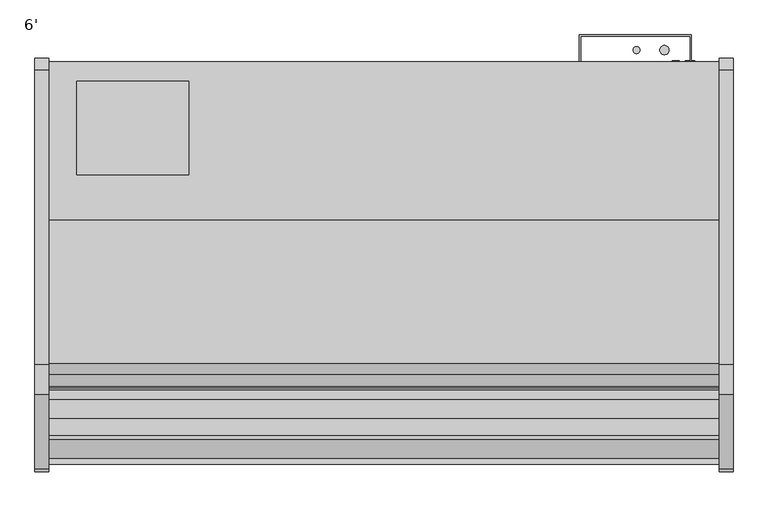
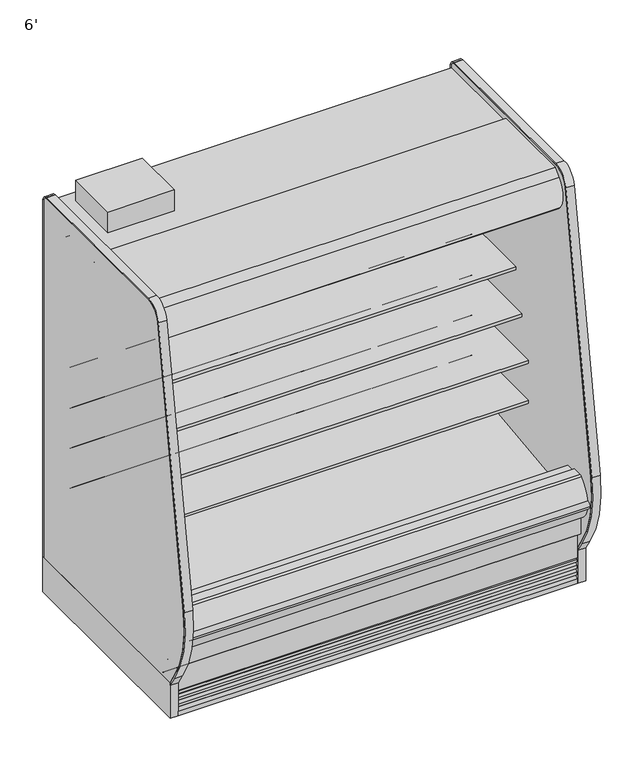
"""IFC4 building model written with IfcOpenShell, lengths in millimetres: proxy geometry, 6'."""

from ifc_helpers import new_model, si_unit, point, frame, frame_2d, origin, origin_with_axes, place, context, project, spatial, polyline, circle_curve, trimmed, segment, composite_curve, outline, extrude, faceted_brep, source, transform, mapped, element, save
from ifc_brep_helpers import plane_surface, cylinder_surface, revolved_surface, advanced_brep


def proxy_6_d9b58994(model_context):
    return source(origin(), model_context, "Body", "SolidModel", [
        extrude(outline(polyline([(381.0, -452.3089273), (381.0, -706.3089273), (76.2, -706.3089273), (76.2, -452.3089273), (381.0, -452.3089273)])), frame((0.0, 0.0, 1890.890681), z_axis=(0.0, 0.0, 1.0), x_axis=(1.0, 0.0, 0.0)), (0.0, 0.0, 1.0), 101.6),
        extrude(outline(composite_curve([segment(polyline([(-501.7581995, 650.7627781), (-501.7581995, 575.6617518), (-525.138746, 575.6617518)]), True, "CONTINUOUS"), segment(trimmed(circle_curve(frame_2d((-525.5705821, 601.0580806)), 25.4), [point((-525.138746, 575.6617518))], [point((-541.5479383, 581.3125979))], False, "CARTESIAN"), True, "CONTINUOUS"), segment(polyline([(-541.5479383, 581.3125979), (-559.3999995, 595.7578634)]), True, "CONTINUOUS"), segment(trimmed(circle_curve(frame_2d((-599.3433901, 546.3941567)), 63.5), [point((-559.3999995, 595.7578634))], [point((-591.4455089, 609.4010886))], True, "CARTESIAN"), True, "CONTINUOUS"), segment(polyline([(-591.4455089, 609.4010886), (-866.0092482, 633.098226), (-867.4980247, 636.5387781), (-1009.7581995, 636.5387781), (-1009.7581995, 650.7627781), (-501.7581995, 650.7627781)]), True, "CONTINUOUS")], self_intersect=False)), frame((0.0, 0.0, 0.0), z_axis=(1.0, 0.0, 0.0), x_axis=(0.0, 1.0, 0.0)), (0.0, 0.0, 1.0), 1828.8),
        extrude(outline(composite_curve([segment(polyline([(-501.7581995, 844.576863), (-501.7581995, 769.4758366), (-525.138746, 769.4758366)]), True, "CONTINUOUS"), segment(trimmed(circle_curve(frame_2d((-525.5705821, 794.8721655)), 25.4), [point((-525.138746, 769.4758366))], [point((-541.5479383, 775.1266828))], False, "CARTESIAN"), True, "CONTINUOUS"), segment(polyline([(-541.5479383, 775.1266828), (-559.3999995, 789.5719483)]), True, "CONTINUOUS"), segment(trimmed(circle_curve(frame_2d((-599.3433901, 740.2082415)), 63.5), [point((-559.3999995, 789.5719483))], [point((-591.4455089, 803.2151735))], True, "CARTESIAN"), True, "CONTINUOUS"), segment(polyline([(-591.4455089, 803.2151735), (-866.0092482, 826.9123109), (-867.4980247, 830.352863), (-1009.7581995, 830.352863), (-1009.7581995, 844.576863), (-501.7581995, 844.576863)]), True, "CONTINUOUS")], self_intersect=False)), frame((0.0, 0.0, 0.0), z_axis=(1.0, 0.0, 0.0), x_axis=(0.0, 1.0, 0.0)), (0.0, 0.0, 1.0), 1828.8),
        extrude(outline(composite_curve([segment(polyline([(-501.7581995, 1038.3909479), (-501.7581995, 963.2899215), (-525.138746, 963.2899215)]), True, "CONTINUOUS"), segment(trimmed(circle_curve(frame_2d((-525.5705821, 988.6862503)), 25.4), [point((-525.138746, 963.2899215))], [point((-541.5479383, 968.9407676))], False, "CARTESIAN"), True, "CONTINUOUS"), segment(polyline([(-541.5479383, 968.9407676), (-559.3999995, 983.3860332)]), True, "CONTINUOUS"), segment(trimmed(circle_curve(frame_2d((-599.3433901, 934.0223264)), 63.5), [point((-559.3999995, 983.3860332))], [point((-591.4455089, 997.0292583))], True, "CARTESIAN"), True, "CONTINUOUS"), segment(polyline([(-591.4455089, 997.0292583), (-866.0092482, 1020.7263958), (-867.4980247, 1024.1669479), (-958.9581995, 1024.1669479), (-958.9581995, 1038.3909479), (-501.7581995, 1038.3909479)]), True, "CONTINUOUS")], self_intersect=False)), frame((0.0, 0.0, 0.0), z_axis=(1.0, 0.0, 0.0), x_axis=(0.0, 1.0, 0.0)), (0.0, 0.0, 1.0), 1828.8),
        extrude(outline(composite_curve([segment(trimmed(circle_curve(frame_2d((1603.375, -366.5839273)), 9.525), [point((1593.85, -366.5839273))], [point((1612.9, -366.5839273))], False, "CARTESIAN"), True, "CONTINUOUS"), segment(trimmed(circle_curve(frame_2d((1603.375, -366.5839273)), 9.525), [point((1612.9, -366.5839273))], [point((1593.85, -366.5839273))], False, "CARTESIAN"), True, "CONTINUOUS")], self_intersect=False)), frame((0.0, 0.0, 1384.8875996), z_axis=(0.0, 0.0, 1.0), x_axis=(1.0, 0.0, 0.0)), (0.0, 0.0, 1.0), 465.5662814),
        extrude(outline(composite_curve([segment(trimmed(circle_curve(frame_2d((1679.575, -366.5839273)), 12.7), [point((1666.875, -366.5839273))], [point((1692.275, -366.5839273))], False, "CARTESIAN"), True, "CONTINUOUS"), segment(trimmed(circle_curve(frame_2d((1679.575, -366.5839273)), 12.7), [point((1692.275, -366.5839273))], [point((1666.875, -366.5839273))], False, "CARTESIAN"), True, "CONTINUOUS")], self_intersect=False)), frame((0.0, 0.0, 1384.8875996), z_axis=(0.0, 0.0, 1.0), x_axis=(1.0, 0.0, 0.0)), (0.0, 0.0, 1.0), 465.5662814),
        extrude(outline(polyline([(1749.425, -401.5089273), (1749.425, -328.4839273), (1451.0752368, -328.4839273), (1451.0752368, -401.5089273), (1447.8, -401.5089273), (1447.8, -325.3089273), (1752.6, -325.3089273), (1752.6, -401.5089273), (1749.425, -401.5089273)])), frame((0.0, 0.0, 636.9744553), z_axis=(0.0, 0.0, 1.0), x_axis=(1.0, 0.0, 0.0)), (0.0, 0.0, 1.0), 1177.4114257),
        extrude(outline(composite_curve([segment(trimmed(circle_curve(frame_2d((1631.95, -1128.5839273)), 12.7), [point((1619.25, -1128.5839273))], [point((1644.65, -1128.5839273))], False, "CARTESIAN"), True, "CONTINUOUS"), segment(trimmed(circle_curve(frame_2d((1631.95, -1128.5839273)), 12.7), [point((1644.65, -1128.5839273))], [point((1619.25, -1128.5839273))], False, "CARTESIAN"), True, "CONTINUOUS")], self_intersect=False)), frame((0.0, 0.0, 66.7090149), z_axis=(0.0, 0.0, 1.0), x_axis=(1.0, 0.0, 0.0)), (0.0, 0.0, 1.0), 57.1159851),
        extrude(outline(composite_curve([segment(trimmed(circle_curve(frame_2d((1593.85, -1128.5839273)), 9.525), [point((1584.325, -1128.5839273))], [point((1603.375, -1128.5839273))], False, "CARTESIAN"), True, "CONTINUOUS"), segment(trimmed(circle_curve(frame_2d((1593.85, -1128.5839273)), 9.525), [point((1603.375, -1128.5839273))], [point((1584.325, -1128.5839273))], False, "CARTESIAN"), True, "CONTINUOUS")], self_intersect=False)), frame((0.0, 0.0, 66.7090149), z_axis=(0.0, 0.0, 1.0), x_axis=(1.0, 0.0, 0.0)), (0.0, 0.0, 1.0), 57.1159851),
        extrude(outline(composite_curve([segment(trimmed(circle_curve(frame_2d((-772.0018909, 1757.6527872)), 14.2875), [point((-786.2893909, 1757.6527872))], [point((-757.7143909, 1757.6527872))], False, "CARTESIAN"), True, "CONTINUOUS"), segment(trimmed(circle_curve(frame_2d((-772.0018909, 1757.6527872)), 14.2875), [point((-757.7143909, 1757.6527872))], [point((-786.2893909, 1757.6527872))], False, "CARTESIAN"), True, "CONTINUOUS")], self_intersect=False)), frame((0.0, 0.0, 0.0), z_axis=(1.0, 0.0, 0.0), x_axis=(0.0, 1.0, 0.0)), (0.0, 0.0, 1.0), 1828.8),
        extrude(outline(polyline([(744.7751963, -1346.7911816), (435.3523963, -1346.7911816), (435.3523963, -1246.4115659), (744.7751963, -1246.4115659), (744.7751963, -1346.7911816)])), frame((0.0, 0.0, 53.2186364), z_axis=(0.0, 0.0, 1.0), x_axis=(1.0, 0.0, 0.0)), (0.0, 0.0, 1.0), 9.8914),
        faceted_brep([(1828.8, -1207.9589273, 133.35), (1828.8, -1271.9080824, 133.35), (1828.8, -1376.2733538, 217.6113531), (1828.8, -1376.2733538, 10.9768116), (1828.8, -1207.9589273, 10.9768116), (0.0, -1207.9589273, 133.35), (0.0, -1207.9589273, 10.9768116), (0.0, -1376.2733538, 10.9768116), (0.0, -1376.2733538, 217.6113531), (0.0, -1271.9080824, 133.35), (744.7751963, -1346.7911816, 10.9768116), (744.7751963, -1246.4115659, 10.9768116), (435.3523963, -1246.4115659, 10.9768116), (435.3523963, -1346.7911816, 10.9768116), (744.7751963, -1346.7911816, 63.1100364), (435.3523963, -1346.7911816, 63.1100364), (435.3523963, -1246.4115659, 63.1100364), (744.7751963, -1246.4115659, 63.1100364)], [[[0, 1, 2, 3, 4]], [[5, 6, 7, 8, 9]], [[1, 0, 5, 9]], [[2, 1, 9, 8]], [[3, 2, 8, 7]], [[4, 3, 7, 6], [10, 11, 12, 13]], [[0, 4, 6, 5]], [[14, 15, 16, 17]], [[14, 17, 11, 10]], [[17, 16, 12, 11]], [[16, 15, 13, 12]], [[15, 14, 10, 13]]]),
        extrude(outline(composite_curve([segment(trimmed(circle_curve(frame_2d((497.8112651, 1749.2090336)), 12.7), [point((497.8112651, 1761.9090336))], [point((497.8112651, 1736.5090336))], False, "CARTESIAN"), True, "CONTINUOUS"), segment(trimmed(circle_curve(frame_2d((497.8112651, 1749.2090336)), 12.7), [point((497.8112651, 1736.5090336))], [point((497.8112651, 1761.9090336))], False, "CARTESIAN"), True, "CONTINUOUS")], self_intersect=False)), frame((0.0, -447.5561252, 0.0), z_axis=(0.0, 1.0, 0.0), x_axis=(0.0, 0.0, 1.0)), (0.0, 0.0, 1.0), 52.3971979),
        extrude(outline(composite_curve([segment(trimmed(circle_curve(frame_2d((497.8112651, 1710.7972115)), 9.525), [point((497.8112651, 1720.3222115))], [point((497.8112651, 1701.2722115))], False, "CARTESIAN"), True, "CONTINUOUS"), segment(trimmed(circle_curve(frame_2d((497.8112651, 1710.7972115)), 9.525), [point((497.8112651, 1701.2722115))], [point((497.8112651, 1720.3222115))], False, "CARTESIAN"), True, "CONTINUOUS")], self_intersect=False)), frame((0.0, -447.5561252, 0.0), z_axis=(0.0, 1.0, 0.0), x_axis=(0.0, 0.0, 1.0)), (0.0, 0.0, 1.0), 52.3971979),
        extrude(outline(composite_curve([segment(polyline([(-448.6101762, 1839.296931), (-448.6101762, 407.920884), (-501.7581995, 407.920884), (-501.7581995, 1761.0279745)]), True, "CONTINUOUS"), segment(trimmed(circle_curve(frame_2d((-527.1581995, 1761.0279745)), 25.4), [point((-501.7581995, 1761.0279745))], [point((-527.1581995, 1786.4279745))], True, "CARTESIAN"), True, "CONTINUOUS"), segment(polyline([(-527.1581995, 1786.4279745), (-992.6733136, 1786.4279745), (-992.6733136, 1753.1446108), (-1003.5184137, 1753.1446108)]), True, "CONTINUOUS"), segment(trimmed(circle_curve(frame_2d((-1003.5184137, 1753.4621108)), 0.3175), [point((-1003.5184137, 1753.1446108))], [point((-1003.5184137, 1753.7796108))], False, "CARTESIAN"), True, "CONTINUOUS"), segment(polyline([(-1003.5184137, 1753.7796108), (-993.3389611, 1753.7796108), (-993.3389611, 1779.1796104), (-1094.9389599, 1779.1796104), (-1094.9389599, 1753.7796108), (-1084.7595073, 1753.7796108)]), True, "CONTINUOUS"), segment(trimmed(circle_curve(frame_2d((-1084.7595073, 1753.4621108)), 0.3175), [point((-1084.7595073, 1753.7796108))], [point((-1084.7595073, 1753.1446108))], False, "CARTESIAN"), True, "CONTINUOUS"), segment(polyline([(-1084.7595073, 1753.1446108), (-1095.6048165, 1753.1446108), (-1095.5967104, 1839.296931), (-448.6101762, 1839.296931)]), True, "CONTINUOUS")], self_intersect=False)), frame((0.0, 0.0, 0.0), z_axis=(1.0, 0.0, 0.0), x_axis=(0.0, 1.0, 0.0)), (0.0, 0.0, 1.0), 1828.8),
        advanced_brep(
        [(1828.8, -1425.6139874, 394.41755), (1828.8, -1425.6139874, 257.4474833), (1828.8, -1271.9080824, 133.35), (1828.8, -398.3339273, 133.35), (1828.8, -398.3339273, 1890.890681), (1828.8, -1136.0666873, 1890.890681), (1828.8, -1136.0666873, 1839.296931), (1828.8, -448.6101762, 1839.296931), (1828.8, -448.6101762, 367.1445251), (1828.8, -596.3264929, 214.837363), (1828.8, -1040.4181205, 198.8529213), (1828.8, -1093.5300237, 160.270884), (1828.8, -1160.3460307, 160.270884), (1828.8, -1218.3906168, 192.4470563), (1828.8, -1376.1093872, 344.7542153), (1828.8, -1376.1093872, 394.41755), (0.0, -1425.6139874, 394.41755), (0.0, -1376.1093872, 394.41755), (0.0, -1376.1093872, 344.7542153), (0.0, -1218.3906168, 192.4470563), (0.0, -1160.3460307, 160.270884), (0.0, -1093.5300237, 160.270884), (0.0, -1040.4181205, 198.8529213), (0.0, -596.3264929, 214.837363), (0.0, -448.6101762, 367.1445251), (0.0, -448.6101762, 1839.296931), (0.0, -1136.0666873, 1839.296931), (0.0, -1136.0666873, 1890.890681), (0.0, -398.3339273, 1890.890681), (0.0, -398.3339273, 133.35), (0.0, -1271.9080824, 133.35), (0.0, -1425.6139874, 257.4474833), (1727.2, -398.3339273, 362.4825072), (1727.2, -398.3339273, 464.0825072), (1727.2, -444.3811252, 362.4825072), (1727.2, -444.3811252, 464.0825072)],
        [
            (0, 1),
            (1, 2),
            (2, 3),
            (3, 4),
            (4, 5),
            (5, 6),
            (6, 7),
            (7, 8),
            (8, 9, circle_curve(frame((1828.8, -601.8382276, 367.9684683), z_axis=(-1.0, 0.0, 0.0), x_axis=(0.0, 1.0, 0.0)), 153.2302667)),
            (9, 10),
            (10, 11),
            (11, 12),
            (12, 13),
            (13, 14, circle_curve(frame((1828.8, -1223.7093872, 344.7542153), z_axis=(-1.0, 0.0, 0.0), x_axis=(0.0, 1.0, 0.0)), 152.4)),
            (14, 15),
            (15, 0),
            (16, 17),
            (17, 18),
            (18, 19, circle_curve(frame((0.0, -1223.7093872, 344.7542153), z_axis=(1.0, 0.0, 0.0), x_axis=(0.0, 1.0, 0.0)), 152.4)),
            (19, 20),
            (20, 21),
            (21, 22),
            (22, 23),
            (23, 24, circle_curve(frame((0.0, -601.8382276, 367.9684683), z_axis=(1.0, 0.0, 0.0), x_axis=(0.0, 1.0, 0.0)), 153.2302667)),
            (24, 25),
            (25, 26),
            (26, 27),
            (27, 28),
            (28, 29),
            (29, 30),
            (30, 31),
            (31, 16),
            (0, 16),
            (31, 1),
            (30, 2),
            (29, 3),
            (28, 4),
            (32, 33, circle_curve(frame((1727.2, -398.3339273, 413.2825072), z_axis=(0.0, -1.0, 0.0), x_axis=(0.0, 0.0, 1.0)), 50.8)),
            (33, 32, circle_curve(frame((1727.2, -398.3339273, 413.2825072), z_axis=(0.0, -1.0, 0.0), x_axis=(0.0, 0.0, 1.0)), 50.8)),
            (27, 5),
            (26, 6),
            (25, 7),
            (24, 8),
            (23, 9),
            (22, 10),
            (21, 11),
            (20, 12),
            (19, 13),
            (18, 14),
            (17, 15),
            (34, 35, circle_curve(frame((1727.2, -444.3811252, 413.2825072), z_axis=(0.0, 1.0, 0.0), x_axis=(0.0, 0.0, 1.0)), 50.8)),
            (35, 34, circle_curve(frame((1727.2, -444.3811252, 413.2825072), z_axis=(0.0, 1.0, 0.0), x_axis=(0.0, 0.0, 1.0)), 50.8)),
            (35, 33),
            (32, 34),
        ],
        [
            plane_surface(frame((1828.8, -1425.6139874, 257.4474833), z_axis=(1.0, 0.0, 0.0), x_axis=(0.0, 0.0, -1.0))),
            plane_surface(frame((0.0, -1425.6139874, 257.4474833), z_axis=(-1.0, 0.0, 0.0), x_axis=(0.0, 0.0, 1.0))),
            plane_surface(frame((1828.8, -1425.6139874, 394.41755), z_axis=(0.0, -1.0, 0.0), x_axis=(-1.0, 0.0, 0.0))),
            plane_surface(frame((1828.8, -1425.6139874, 257.4474833), z_axis=(0.0, -0.6281851642637385, -0.7780638787393617), x_axis=(-1.0, 0.0, 0.0))),
            plane_surface(frame((1828.8, -1271.9080824, 133.35), z_axis=(0.0, 0.0, -1.0), x_axis=(-1.0, 0.0, 0.0))),
            plane_surface(frame((1828.8, -398.3339273, 133.35), z_axis=(0.0, 1.0, 0.0), x_axis=(-1.0, 0.0, 0.0))),
            plane_surface(frame((1828.8, -398.3339273, 1890.890681), z_axis=(0.0, 0.0, 1.0), x_axis=(-1.0, 0.0, 0.0))),
            plane_surface(frame((1828.8, -1136.0666873, 1890.890681), z_axis=(0.0, -1.0, 0.0), x_axis=(-1.0, 0.0, 0.0))),
            plane_surface(frame((1828.8, -1136.0666873, 1839.296931), z_axis=(0.0, 0.0, -1.0), x_axis=(-1.0, 0.0, 0.0))),
            plane_surface(frame((1828.8, -448.6101762, 1839.296931), z_axis=(0.0, -1.0, 0.0), x_axis=(-1.0, 0.0, 0.0))),
            revolved_surface(polyline([(0.0, -448.60796089999997, 367.9684683), (1828.8, -448.60796089999997, 367.9684683)]), (0.0, -601.8382276, 367.9684683), (-1.0, 0.0, 0.0)),
            plane_surface(frame((1828.8, -596.3264929, 214.837363), z_axis=(0.0, -0.035970274152171335, 0.9993528602938092), x_axis=(-1.0, 0.0, 0.0))),
            plane_surface(frame((1828.8, -1040.4181205, 198.8529213), z_axis=(0.0, -0.5877252382160976, 0.8090605937529224), x_axis=(-1.0, 0.0, 0.0))),
            plane_surface(frame((1828.8, -1093.5300237, 160.270884), z_axis=(0.0, 0.0, 1.0), x_axis=(-1.0, 0.0, 0.0))),
            plane_surface(frame((1828.8, -1160.3460307, 160.270884), z_axis=(0.0, 0.4848272875913194, 0.8746099137368866), x_axis=(-1.0, 0.0, 0.0))),
            revolved_surface(polyline([(0.0, -1071.3093872, 344.7542153), (1828.8, -1071.3093872, 344.7542153)]), (0.0, -1223.7093872, 344.7542153), (-1.0, 0.0, 0.0)),
            plane_surface(frame((1828.8, -1376.1093872, 344.7542153), z_axis=(0.0, 1.0, 0.0), x_axis=(-1.0, 0.0, 0.0))),
            plane_surface(frame((1828.8, -1376.1093872, 394.41755), z_axis=(0.0, 0.0, 1.0), x_axis=(-1.0, 0.0, 0.0))),
            plane_surface(frame((1727.2, -444.3811252, 464.0825072), z_axis=(0.0, 1.0, 0.0), x_axis=(-1.0, 0.0, 0.0))),
            revolved_surface(polyline([(1727.2, -444.3811252, 464.0825072), (1727.2, -398.3339273, 464.0825072)]), (1727.2, -398.3339273, 413.2825072), (0.0, -1.0, 0.0)),
        ],
        [
            (0, [[1, 2, 3, 4, 5, 6, 7, 8, 9, 10, 11, 12, 13, 14, 15, 16]]),
            (1, [[17, 18, 19, 20, 21, 22, 23, 24, 25, 26, 27, 28, 29, 30, 31, 32]]),
            (2, [[-1, 33, -32, 34]]),
            (3, [[-2, -34, -31, 35]]),
            (4, [[-3, -35, -30, 36]]),
            (5, [[-4, -36, -29, 37], [38, 39]]),
            (6, [[-5, -37, -28, 40]]),
            (7, [[-6, -40, -27, 41]]),
            (8, [[-7, -41, -26, 42]]),
            (9, [[-8, -42, -25, 43]]),
            (10, [[-9, -43, -24, 44]]),
            (11, [[-10, -44, -23, 45]]),
            (12, [[-11, -45, -22, 46]]),
            (13, [[-12, -46, -21, 47]]),
            (14, [[-13, -47, -20, 48]]),
            (15, [[-14, -48, -19, 49]]),
            (16, [[-15, -49, -18, 50]]),
            (17, [[-16, -50, -17, -33]]),
            (18, [[51, 52]]),
            (19, [[-52, 53, -38, 54]]),
            (19, [[-51, -54, -39, -53]]),
        ],
    ),
        advanced_brep(
        [(1828.8, -1321.1559113, 376.2501999), (1828.8, -1321.1559113, 524.3829999), (1828.8, -1376.1093872, 524.3829999), (1828.8, -1376.1093872, 344.7542153), (1828.8, -1218.3906168, 192.4470563), (1828.8, -1160.3460307, 160.270884), (1828.8, -1093.5300237, 160.270884), (1828.8, -1040.4181205, 198.8529213), (1828.8, -596.3264929, 214.837363), (1828.8, -448.6101762, 367.1445251), (1828.8, -448.6101762, 407.920884), (1828.8, -501.7581995, 407.920884), (1828.8, -501.7581995, 472.5646663), (1828.8, -513.5722923, 459.8956028), (1828.8, -607.0176758, 453.3612651), (1828.8, -607.4656734, 459.7679299), (1828.8, -1288.3966401, 378.1918392), (1828.8, -1293.8382113, 376.2501999), (0.0, -1321.1559113, 376.2501999), (0.0, -1293.8382113, 376.2501999), (0.0, -1288.3966401, 378.1918392), (0.0, -607.4656734, 459.7679299), (0.0, -607.0176758, 453.3612651), (0.0, -513.5722923, 459.8956028), (0.0, -501.7581995, 472.5646663), (0.0, -501.7581995, 407.920884), (0.0, -448.6101762, 407.920884), (0.0, -448.6101762, 367.1445251), (0.0, -596.3264929, 214.837363), (0.0, -1040.4181205, 198.8529213), (0.0, -1093.5300237, 160.270884), (0.0, -1160.3460307, 160.270884), (0.0, -1218.3906168, 192.4470563), (0.0, -1376.1093872, 344.7542153), (0.0, -1376.1093872, 524.3829999), (0.0, -1321.1559113, 524.3829999)],
        [
            (0, 1),
            (1, 2),
            (2, 3),
            (3, 4, circle_curve(frame((1828.8, -1223.7093872, 344.7542153), z_axis=(1.0, 0.0, 0.0), x_axis=(0.0, 1.0, 0.0)), 152.4)),
            (4, 5),
            (5, 6),
            (6, 7),
            (7, 8),
            (8, 9, circle_curve(frame((1828.8, -601.8382276, 367.9684683), z_axis=(1.0, 0.0, 0.0), x_axis=(0.0, 1.0, 0.0)), 153.2302667)),
            (9, 10),
            (10, 11),
            (11, 12),
            (12, 13, circle_curve(frame((1828.8, -514.4581995, 472.5646663), z_axis=(-1.0, 0.0, 0.0), x_axis=(0.0, 1.0, 0.0)), 12.7)),
            (13, 14),
            (14, 15),
            (15, 16),
            (16, 17),
            (17, 0),
            (18, 19),
            (19, 20),
            (20, 21),
            (21, 22),
            (22, 23),
            (23, 24, circle_curve(frame((0.0, -514.4581995, 472.5646663), z_axis=(1.0, 0.0, 0.0), x_axis=(0.0, 1.0, 0.0)), 12.7)),
            (24, 25),
            (25, 26),
            (26, 27),
            (27, 28, circle_curve(frame((0.0, -601.8382276, 367.9684683), z_axis=(-1.0, 0.0, 0.0), x_axis=(0.0, 1.0, 0.0)), 153.2302667)),
            (28, 29),
            (29, 30),
            (30, 31),
            (31, 32),
            (32, 33, circle_curve(frame((0.0, -1223.7093872, 344.7542153), z_axis=(-1.0, 0.0, 0.0), x_axis=(0.0, 1.0, 0.0)), 152.4)),
            (33, 34),
            (34, 35),
            (35, 18),
            (0, 18),
            (35, 1),
            (34, 2),
            (33, 3),
            (32, 4),
            (31, 5),
            (30, 6),
            (29, 7),
            (28, 8),
            (27, 9),
            (26, 10),
            (25, 11),
            (24, 12),
            (23, 13),
            (22, 14),
            (21, 15),
            (20, 16),
            (19, 17),
        ],
        [
            plane_surface(frame((1828.8, -1321.1559113, 524.3829999), z_axis=(1.0, 0.0, 0.0), x_axis=(0.0, 0.0, 1.0))),
            plane_surface(frame((0.0, -1321.1559113, 524.3829999), z_axis=(-1.0, 0.0, 0.0), x_axis=(0.0, 0.0, -1.0))),
            plane_surface(frame((1828.8, -1321.1559113, 376.2501999), z_axis=(0.0, 1.0, 0.0), x_axis=(-1.0, 0.0, 0.0))),
            plane_surface(frame((1828.8, -1321.1559113, 524.3829999), z_axis=(0.0, 0.0, 1.0), x_axis=(-1.0, 0.0, 0.0))),
            plane_surface(frame((1828.8, -1376.1093872, 524.3829999), z_axis=(0.0, -1.0, 0.0), x_axis=(-1.0, 0.0, 0.0))),
            cylinder_surface(frame((0.0, -1223.7093872, 344.7542153), z_axis=(1.0, 0.0, 0.0), x_axis=(0.0, 1.0, 0.0)), 152.4),
            plane_surface(frame((1828.8, -1218.3906168, 192.4470563), z_axis=(0.0, -0.48482728759131477, -0.8746099137368891), x_axis=(-1.0, 0.0, 0.0))),
            plane_surface(frame((1828.8, -1160.3460307, 160.270884), z_axis=(0.0, 0.0, -1.0), x_axis=(-1.0, 0.0, 0.0))),
            plane_surface(frame((1828.8, -1093.5300237, 160.270884), z_axis=(0.0, 0.587725238216098, -0.8090605937529222), x_axis=(-1.0, 0.0, 0.0))),
            plane_surface(frame((1828.8, -1040.4181205, 198.8529213), z_axis=(0.0, 0.03597027415217118, -0.9993528602938092), x_axis=(-1.0, 0.0, 0.0))),
            cylinder_surface(frame((0.0, -601.8382276, 367.9684683), z_axis=(1.0, 0.0, 0.0), x_axis=(0.0, 1.0, 0.0)), 153.2302667),
            plane_surface(frame((1828.8, -448.6101762, 367.1445251), z_axis=(0.0, 1.0, 0.0), x_axis=(-1.0, 0.0, 0.0))),
            plane_surface(frame((1828.8, -448.6101762, 407.920884), z_axis=(0.0, 0.0, 1.0), x_axis=(-1.0, 0.0, 0.0))),
            plane_surface(frame((1828.8, -501.7581995, 407.920884), z_axis=(0.0, 1.0, 0.0), x_axis=(-1.0, 0.0, 0.0))),
            revolved_surface(polyline([(0.0, -501.7581995, 472.5646663), (1828.8, -501.7581995, 472.5646663)]), (0.0, -514.4581995, 472.5646663), (-1.0, 0.0, 0.0)),
            plane_surface(frame((1828.8, -513.5722923, 459.8956028), z_axis=(0.0, -0.0697564736977033, 0.9975640502630705), x_axis=(-1.0, 0.0, 0.0))),
            plane_surface(frame((1828.8, -607.0176758, 453.3612651), z_axis=(0.0, 0.9975640502631785, 0.06975647369615752), x_axis=(-1.0, 0.0, 0.0))),
            plane_surface(frame((1828.8, -607.4656734, 459.7679299), z_axis=(0.0, -0.1189502633854896, 0.9929002139392069), x_axis=(-1.0, 0.0, 0.0))),
            plane_surface(frame((1828.8, -1288.3966401, 378.1918392), z_axis=(0.0, -0.33606330765114173, 0.9418393988629772), x_axis=(-1.0, 0.0, 0.0))),
            plane_surface(frame((1828.8, -1293.8382113, 376.2501999), z_axis=(0.0, 0.0, 1.0), x_axis=(-1.0, 0.0, 0.0))),
        ],
        [
            (0, [[1, 2, 3, 4, 5, 6, 7, 8, 9, 10, 11, 12, 13, 14, 15, 16, 17, 18]]),
            (1, [[19, 20, 21, 22, 23, 24, 25, 26, 27, 28, 29, 30, 31, 32, 33, 34, 35, 36]]),
            (2, [[-1, 37, -36, 38]]),
            (3, [[-2, -38, -35, 39]]),
            (4, [[-3, -39, -34, 40]]),
            (5, [[-4, -40, -33, 41]]),
            (6, [[-5, -41, -32, 42]]),
            (7, [[-6, -42, -31, 43]]),
            (8, [[-7, -43, -30, 44]]),
            (9, [[-8, -44, -29, 45]]),
            (10, [[-9, -45, -28, 46]]),
            (11, [[-10, -46, -27, 47]]),
            (12, [[-11, -47, -26, 48]]),
            (13, [[-12, -48, -25, 49]]),
            (14, [[-13, -49, -24, 50]]),
            (15, [[-14, -50, -23, 51]]),
            (16, [[-15, -51, -22, 52]]),
            (17, [[-16, -52, -21, 53]]),
            (18, [[-17, -53, -20, 54]]),
            (19, [[-18, -54, -19, -37]]),
        ],
    ),
        extrude(outline(composite_curve([segment(trimmed(circle_curve(frame_2d((914.4, -1128.5839273)), 38.1), [point((876.3, -1128.5839273))], [point((952.5, -1128.5839273))], False, "CARTESIAN"), True, "CONTINUOUS"), segment(trimmed(circle_curve(frame_2d((914.4, -1128.5839273)), 38.1), [point((952.5, -1128.5839273))], [point((876.3, -1128.5839273))], False, "CARTESIAN"), True, "CONTINUOUS")], self_intersect=False)), frame((0.0, 0.0, 66.7090149), z_axis=(0.0, 0.0, 1.0), x_axis=(1.0, 0.0, 0.0)), (0.0, 0.0, 1.0), 57.1159851),
        advanced_brep(
        [(1828.8, -401.5089273, 0.0), (1828.8, -401.5089273, 133.35), (1828.8, -1207.9589273, 133.35), (1828.8, -1207.9589273, 0.0), (1828.8, -1161.1594273, 0.0), (1828.8, -1161.1594273, 74.8810382), (1828.8, -446.7209273, 74.8810382), (1828.8, -446.7209273, 0.0), (0.0, -401.5089273, 0.0), (0.0, -446.7209273, 0.0), (0.0, -446.7209273, 74.8810382), (0.0, -1161.1594273, 74.8810382), (0.0, -1161.1594273, 0.0), (0.0, -1207.9589273, 0.0), (0.0, -1207.9589273, 133.35), (0.0, -401.5089273, 133.35), (875.4195331, -1161.1594273, 0.0), (953.3804669, -1161.1594273, 0.0), (1573.9195331, -1161.1594273, 0.0), (1651.8804669, -1161.1594273, 0.0), (1651.8804669, -1161.1594273, 74.8810382), (875.4195331, -1161.1594273, 74.8810382), (953.3804669, -1161.1594273, 74.8810382), (1573.9195331, -1161.1594273, 74.8810382), (1663.7, -1128.5839273, 74.8810382), (1562.1, -1128.5839273, 74.8810382), (965.2, -1128.5839273, 74.8810382), (863.6, -1128.5839273, 74.8810382), (863.6, -1128.5839273, 123.825), (965.2, -1128.5839273, 123.825), (1562.1, -1128.5839273, 123.825), (1663.7, -1128.5839273, 123.825)],
        [
            (0, 1),
            (1, 2),
            (2, 3),
            (3, 4),
            (4, 5),
            (5, 6),
            (6, 7),
            (7, 0),
            (8, 9),
            (9, 10),
            (10, 11),
            (11, 12),
            (12, 13),
            (13, 14),
            (14, 15),
            (15, 8),
            (0, 8),
            (15, 1),
            (14, 2),
            (13, 3),
            (12, 16),
            (16, 17, circle_curve(frame((914.4, -1128.5839273, 0.0), z_axis=(0.0, 0.0, 1.0), x_axis=(1.0, 0.0, 0.0)), 50.8)),
            (17, 18),
            (18, 19, circle_curve(frame((1612.9, -1128.5839273, 0.0), z_axis=(0.0, 0.0, 1.0), x_axis=(1.0, 0.0, 0.0)), 50.8)),
            (19, 4),
            (19, 20),
            (20, 5),
            (11, 21),
            (21, 16),
            (17, 22),
            (22, 23),
            (23, 18),
            (20, 24, circle_curve(frame((1612.9, -1128.5839273, 74.8810382), z_axis=(0.0, 0.0, 1.0), x_axis=(1.0, 0.0, 0.0)), 50.8)),
            (24, 25, circle_curve(frame((1612.9, -1128.5839273, 74.8810382), z_axis=(0.0, 0.0, 1.0), x_axis=(1.0, 0.0, 0.0)), 50.8)),
            (25, 23, circle_curve(frame((1612.9, -1128.5839273, 74.8810382), z_axis=(0.0, 0.0, 1.0), x_axis=(1.0, 0.0, 0.0)), 50.8)),
            (22, 26, circle_curve(frame((914.4, -1128.5839273, 74.8810382), z_axis=(0.0, 0.0, 1.0), x_axis=(1.0, 0.0, 0.0)), 50.8)),
            (26, 27, circle_curve(frame((914.4, -1128.5839273, 74.8810382), z_axis=(0.0, 0.0, 1.0), x_axis=(1.0, 0.0, 0.0)), 50.8)),
            (27, 21, circle_curve(frame((914.4, -1128.5839273, 74.8810382), z_axis=(0.0, 0.0, 1.0), x_axis=(1.0, 0.0, 0.0)), 50.8)),
            (10, 6),
            (9, 7),
            (28, 29, circle_curve(frame((914.4, -1128.5839273, 123.825), z_axis=(0.0, 0.0, -1.0), x_axis=(1.0, 0.0, 0.0)), 50.8)),
            (29, 28, circle_curve(frame((914.4, -1128.5839273, 123.825), z_axis=(0.0, 0.0, -1.0), x_axis=(1.0, 0.0, 0.0)), 50.8)),
            (29, 26),
            (27, 28),
            (30, 31, circle_curve(frame((1612.9, -1128.5839273, 123.825), z_axis=(0.0, 0.0, -1.0), x_axis=(1.0, 0.0, 0.0)), 50.8)),
            (31, 30, circle_curve(frame((1612.9, -1128.5839273, 123.825), z_axis=(0.0, 0.0, -1.0), x_axis=(1.0, 0.0, 0.0)), 50.8)),
            (31, 24),
            (25, 30),
        ],
        [
            plane_surface(frame((1828.8, -401.5089273, 1893.5715584), z_axis=(1.0, 0.0, 0.0), x_axis=(0.0, 0.0, 1.0))),
            plane_surface(frame((0.0, -401.5089273, 1893.5715584), z_axis=(-1.0, 0.0, 0.0), x_axis=(0.0, 0.0, -1.0))),
            plane_surface(frame((1828.8, -401.5089273, 0.0), z_axis=(0.0, 1.0, 0.0), x_axis=(-1.0, 0.0, 0.0))),
            plane_surface(frame((1828.8, -401.5089273, 133.35), z_axis=(0.0, 0.0, 1.0), x_axis=(-1.0, 0.0, 0.0))),
            plane_surface(frame((1828.8, -1207.9589273, 133.35), z_axis=(0.0, -1.0, 0.0), x_axis=(-1.0, 0.0, 0.0))),
            plane_surface(frame((1828.8, -1207.9589273, 0.0), z_axis=(0.0, 0.0, -1.0), x_axis=(-1.0, 0.0, 0.0))),
            plane_surface(frame((1828.8, -1161.1594273, 0.0), z_axis=(0.0, 1.0, 0.0), x_axis=(-1.0, 0.0, 0.0))),
            plane_surface(frame((1828.8, -1161.1594273, 74.8810382), z_axis=(0.0, 0.0, -1.0), x_axis=(-1.0, 0.0, 0.0))),
            plane_surface(frame((1828.8, -446.7209273, 74.8810382), z_axis=(0.0, -1.0, 0.0), x_axis=(-1.0, 0.0, 0.0))),
            plane_surface(frame((1828.8, -446.7209273, 0.0), z_axis=(0.0, 0.0, -1.0), x_axis=(-1.0, 0.0, 0.0))),
            plane_surface(frame((965.2, -1128.5839273, 123.825), z_axis=(0.0, 0.0, -1.0), x_axis=(0.0, 1.0, 0.0))),
            revolved_surface(polyline([(965.1999999999999, -1128.5839273, 123.825), (965.1999999999999, -1128.5839273, 0.0)]), (914.4, -1128.5839273, 0.0), (0.0, 0.0, 1.0)),
            revolved_surface(polyline([(965.1999999999999, -1128.5839273, 123.825), (965.1999999999999, -1128.5839273, 74.8810382)]), (914.4, -1128.5839273, 0.0), (0.0, 0.0, 1.0)),
            plane_surface(frame((1663.7, -1128.5839273, 123.825), z_axis=(0.0, 0.0, -1.0), x_axis=(0.0, 1.0, 0.0))),
            revolved_surface(polyline([(1663.7, -1128.5839273, 123.825), (1663.7, -1128.5839273, 0.0)]), (1612.9, -1128.5839273, 0.0), (0.0, 0.0, 1.0)),
            revolved_surface(polyline([(1663.7, -1128.5839273, 123.825), (1663.7, -1128.5839273, 74.8810382)]), (1612.9, -1128.5839273, 0.0), (0.0, 0.0, 1.0)),
        ],
        [
            (0, [[1, 2, 3, 4, 5, 6, 7, 8]]),
            (1, [[9, 10, 11, 12, 13, 14, 15, 16]]),
            (2, [[-1, 17, -16, 18]]),
            (3, [[-2, -18, -15, 19]]),
            (4, [[-3, -19, -14, 20]]),
            (5, [[-4, -20, -13, 21, 22, 23, 24, 25]]),
            (6, [[-5, -25, 26, 27]]),
            (6, [[-12, 28, 29, -21]]),
            (6, [[30, 31, 32, -23]]),
            (7, [[-6, -27, 33, 34, 35, -31, 36, 37, 38, -28, -11, 39]]),
            (8, [[-7, -39, -10, 40]]),
            (9, [[-8, -40, -9, -17]]),
            (10, [[41, 42]]),
            (11, [[-42, 43, -36, -30, -22, -29, -38, 44]]),
            (12, [[-41, -44, -37, -43]]),
            (13, [[45, 46]]),
            (14, [[-46, 47, -33, -26, -24, -32, -35, 48]]),
            (15, [[-45, -48, -34, -47]]),
        ],
    ),
        extrude(outline(polyline([(1828.8, -993.3389611), (1828.8, -1094.9389599), (0.0, -1094.9389599), (0.0, -993.3389611), (1828.8, -993.3389611)])), frame((0.0, 0.0, 1753.7796108), z_axis=(0.0, 0.0, 1.0), x_axis=(1.0, 0.0, 0.0)), (0.0, 0.0, 1.0), 25.3999996),
        extrude(outline(composite_curve([segment(polyline([(-830.9447918, 1908.175), (-830.9447918, 1890.890681), (-1136.0666873, 1890.890681), (-1136.0666873, 1839.296931), (-1095.6048165, 1839.296931), (-1095.6048165, 1753.1446108), (-1096.7409434, 1753.1446108), (-1142.1232964, 1781.3770512), (-1226.0096298, 1781.3770512), (-1231.4278577, 1752.0024197), (-1239.5228272, 1745.4449165), (-1241.2816599, 1739.5925552), (-1244.5563653, 1734.4834182)]), True, "CONTINUOUS"), segment(trimmed(circle_curve(frame_2d((-1251.828899, 1739.1447544)), 8.6381597), [point((-1244.5563653, 1734.4834182))], [point((-1258.4047513, 1733.5433288))], False, "CARTESIAN"), True, "CONTINUOUS"), segment(trimmed(circle_curve(frame_2d((-1178.1427231, 1801.9119237)), 105.4336661), [point((-1258.4047513, 1733.5433288))], [point((-1251.2033459, 1877.9277336))], False, "CARTESIAN"), True, "CONTINUOUS"), segment(trimmed(circle_curve(frame_2d((-1718.1499588, 2363.7616011)), 673.8498988), [point((-1251.2033459, 1877.9277336))], [point((-1221.6476576, 1908.175))], True, "CARTESIAN"), True, "CONTINUOUS"), segment(polyline([(-1221.6476576, 1908.175), (-830.9447918, 1908.175)]), True, "CONTINUOUS")], self_intersect=False)), frame((0.0, 0.0, 0.0), z_axis=(1.0, 0.0, 0.0), x_axis=(0.0, 1.0, 0.0)), (0.0, 0.0, 1.0), 1828.8),
        extrude(outline(composite_curve([segment(trimmed(circle_curve(frame_2d((-1161.5261636, 1763.2178978)), 14.2875), [point((-1175.8136636, 1763.2178978))], [point((-1147.2386636, 1763.2178978))], False, "CARTESIAN"), True, "CONTINUOUS"), segment(trimmed(circle_curve(frame_2d((-1161.5261636, 1763.2178978)), 14.2875), [point((-1147.2386636, 1763.2178978))], [point((-1175.8136636, 1763.2178978))], False, "CARTESIAN"), True, "CONTINUOUS")], self_intersect=False)), frame((0.0, 0.0, 0.0), z_axis=(1.0, 0.0, 0.0), x_axis=(0.0, 1.0, 0.0)), (0.0, 0.0, 1.0), 1828.8),
        extrude(outline(composite_curve([segment(trimmed(circle_curve(frame_2d((-1206.6074088, 1763.7441153)), 14.2875), [point((-1220.8949088, 1763.7441153))], [point((-1192.3199088, 1763.7441153))], False, "CARTESIAN"), True, "CONTINUOUS"), segment(trimmed(circle_curve(frame_2d((-1206.6074088, 1763.7441153)), 14.2875), [point((-1192.3199088, 1763.7441153))], [point((-1220.8949088, 1763.7441153))], False, "CARTESIAN"), True, "CONTINUOUS")], self_intersect=False)), frame((0.0, 0.0, 0.0), z_axis=(1.0, 0.0, 0.0), x_axis=(0.0, 1.0, 0.0)), (0.0, 0.0, 1.0), 1828.8),
        extrude(outline(polyline([(-752.0389611, 1786.9604817), (-752.0389611, 1785.3733627), (-763.9452111, 1785.3733627), (-799.6639611, 1761.5608627), (-799.6639611, 1785.3733627), (-820.3014611, 1785.3733627), (-820.3014611, 1726.7954807), (-817.0248305, 1710.6661458), (-818.5805536, 1710.3501049), (-821.8889611, 1726.6358627), (-821.8889611, 1786.9604817), (-752.0389611, 1786.9604817)])), frame((0.0, 0.0, 0.0), z_axis=(1.0, 0.0, 0.0), x_axis=(0.0, 1.0, 0.0)), (0.0, 0.0, 1.0), 1828.8),
        extrude(outline(polyline([(-521.3788195, 1507.9597381), (-695.8542362, 1752.5652509), (-689.4610518, 1754.5373597), (-516.209186, 1511.6472019), (-521.3788195, 1507.9597381)])), frame((0.0, 0.0, 0.0), z_axis=(1.0, 0.0, 0.0), x_axis=(0.0, 1.0, 0.0)), (0.0, 0.0, 1.0), 1828.8),
        extrude(outline(composite_curve([segment(polyline([(-501.7581995, 1532.3437165), (-501.7581995, 1494.2444667)]), True, "CONTINUOUS"), segment(trimmed(circle_curve(frame_2d((-504.6156995, 1494.2444667)), 2.8575), [point((-501.7581995, 1494.2444667))], [point((-503.4991853, 1491.6141241))], False, "CARTESIAN"), True, "CONTINUOUS"), segment(polyline([(-503.4991853, 1491.6141241), (-512.5954668, 1487.7529817)]), True, "CONTINUOUS"), segment(trimmed(circle_curve(frame_2d((-513.7119809, 1490.3833244)), 2.8575), [point((-512.5954668, 1487.7529817))], [point((-516.2580321, 1489.0860465))], False, "CARTESIAN"), True, "CONTINUOUS"), segment(polyline([(-516.2580321, 1489.0860465), (-524.1858411, 1504.6452478)]), True, "CONTINUOUS"), segment(trimmed(circle_curve(frame_2d((-523.0542629, 1505.2218158)), 1.27), [point((-524.1858411, 1504.6452478))], [point((-523.6308308, 1506.3533941))], False, "CARTESIAN"), True, "CONTINUOUS"), segment(polyline([(-523.6308308, 1506.3533941), (-516.209186, 1511.6472019), (-504.4246446, 1495.1258842), (-503.0281995, 1494.2444667), (-503.0281995, 1532.3437165), (-501.7581995, 1532.3437165)]), True, "CONTINUOUS")], self_intersect=False)), frame((0.0, 0.0, 0.0), z_axis=(1.0, 0.0, 0.0), x_axis=(0.0, 1.0, 0.0)), (0.0, 0.0, 1.0), 1828.8),
        extrude(outline(composite_curve([segment(polyline([(-693.8438534, 1760.6818209), (-689.4610518, 1754.5373597), (-698.4561946, 1751.7626235)]), True, "CONTINUOUS"), segment(trimmed(circle_curve(frame_2d((-699.1164708, 1753.9031077)), 2.2400083), [point((-698.4561946, 1751.7626235))], [point((-700.3014456, 1752.0021942))], False, "CARTESIAN"), True, "CONTINUOUS"), segment(polyline([(-700.3014456, 1752.0021942), (-724.3310675, 1785.6904817), (-740.2060675, 1785.6904817), (-740.2060675, 1786.9604817), (-724.3310675, 1786.9604817)]), True, "CONTINUOUS"), segment(trimmed(circle_curve(frame_2d((-724.3310675, 1785.6904817)), 1.27), [point((-724.3310675, 1786.9604817))], [point((-723.2971408, 1786.4279745))], False, "CARTESIAN"), True, "CONTINUOUS"), segment(polyline([(-723.2971408, 1786.4279745), (-711.1494423, 1769.3975292), (-701.461549, 1776.3078363)]), True, "CONTINUOUS"), segment(trimmed(circle_curve(frame_2d((-700.7240563, 1775.2739096)), 1.27), [point((-701.461549, 1776.3078363))], [point((-699.6901296, 1776.0114024))], False, "CARTESIAN"), True, "CONTINUOUS"), segment(polyline([(-699.6901296, 1776.0114024), (-690.4714701, 1763.0873185), (-693.8438534, 1760.6818209)]), True, "CONTINUOUS")], self_intersect=False)), frame((0.0, 0.0, 0.0), z_axis=(1.0, 0.0, 0.0), x_axis=(0.0, 1.0, 0.0)), (0.0, 0.0, 1.0), 1828.8),
        extrude(outline(composite_curve([segment(polyline([(-501.7581995, 1236.6027893), (-501.7581995, 1161.501763), (-525.138746, 1161.501763)]), True, "CONTINUOUS"), segment(trimmed(circle_curve(frame_2d((-525.5705821, 1186.8980918)), 25.4), [point((-525.138746, 1161.501763))], [point((-541.5479383, 1167.1526091))], False, "CARTESIAN"), True, "CONTINUOUS"), segment(polyline([(-541.5479383, 1167.1526091), (-559.3999995, 1181.5978746)]), True, "CONTINUOUS"), segment(trimmed(circle_curve(frame_2d((-599.3433901, 1132.2341679)), 63.5), [point((-559.3999995, 1181.5978746))], [point((-591.4455089, 1195.2410998))], True, "CARTESIAN"), True, "CONTINUOUS"), segment(polyline([(-591.4455089, 1195.2410998), (-866.0092482, 1218.9382372), (-867.4980247, 1222.3787893), (-908.1581995, 1222.3787893), (-908.1581995, 1236.6027893), (-501.7581995, 1236.6027893)]), True, "CONTINUOUS")], self_intersect=False)), frame((0.0, 0.0, 0.0), z_axis=(1.0, 0.0, 0.0), x_axis=(0.0, 1.0, 0.0)), (0.0, 0.0, 1.0), 1828.8),
        extrude(outline(composite_curve([segment(trimmed(circle_curve(frame_2d((-1479.6198501, 430.7520385)), 17.2640772), [point((-1496.8839273, 430.7520385))], [point((-1462.3557729, 430.7520385))], False, "CARTESIAN"), True, "CONTINUOUS"), segment(trimmed(circle_curve(frame_2d((-1479.6198501, 430.7520385)), 17.2640772), [point((-1462.3557729, 430.7520385))], [point((-1496.8839273, 430.7520385))], False, "CARTESIAN"), True, "CONTINUOUS")], self_intersect=False)), frame((0.0, 0.0, 0.0), z_axis=(1.0, 0.0, 0.0), x_axis=(0.0, 1.0, 0.0)), (0.0, 0.0, 1.0), 1828.8),
        extrude(outline(composite_curve([segment(polyline([(-1372.4247913, 524.3829999), (-1376.1093872, 524.3829999), (-1376.1093872, 394.41755), (-1425.6139874, 394.41755), (-1425.6139874, 353.1944213), (-1450.0841168, 353.1944213)]), True, "CONTINUOUS"), segment(trimmed(circle_curve(frame_2d((-1354.857609, 437.2236555)), 126.9999999), [point((-1450.0841168, 353.1944213))], [point((-1479.8148687, 414.5370243))], False, "CARTESIAN"), True, "CONTINUOUS"), segment(trimmed(circle_curve(frame_2d((-1479.6198501, 431.8)), 17.2640772), [point((-1479.8148687, 414.5370243))], [point((-1462.3557729, 431.8))], True, "CARTESIAN"), True, "CONTINUOUS"), segment(trimmed(circle_curve(frame_2d((-1479.6198501, 431.8)), 17.2640772), [point((-1462.3557729, 431.8))], [point((-1480.2817947, 449.0513823))], True, "CARTESIAN"), True, "CONTINUOUS"), segment(trimmed(circle_curve(frame_2d((-1307.9962796, 405.264233)), 177.7628003), [point((-1480.2817947, 449.0513823))], [point((-1428.7789384, 535.6910803))], False, "CARTESIAN"), True, "CONTINUOUS"), segment(trimmed(circle_curve(frame_2d((-1417.9221419, 523.9673962)), 15.9785731), [point((-1428.7789384, 535.6910803))], [point((-1418.0177913, 539.945683))], False, "CARTESIAN"), True, "CONTINUOUS"), segment(polyline([(-1418.0177913, 539.945683), (-1372.4247913, 539.945683), (-1372.4247913, 524.3829999)]), True, "CONTINUOUS")], self_intersect=False)), frame((0.0, 0.0, 0.0), z_axis=(1.0, 0.0, 0.0), x_axis=(0.0, 1.0, 0.0)), (0.0, 0.0, 1.0), 1828.8),
        extrude(outline(composite_curve([segment(polyline([(-1396.1346754, 233.6467814), (-1376.2733538, 217.6113531), (-1376.2733538, 0.0), (-1398.5450212, 0.0), (-1398.5450212, 21.4794805)]), True, "CONTINUOUS"), segment(trimmed(circle_curve(frame_2d((-1398.0091976, 35.1748572)), 13.7058546), [point((-1398.5450212, 21.4794805))], [point((-1384.9272183, 31.0867934))], True, "CARTESIAN"), True, "CONTINUOUS"), segment(polyline([(-1384.9272183, 31.0867934), (-1381.4381212, 42.2520535), (-1392.0753164, 40.0942307), (-1394.0692164, 40.0942307), (-1394.0692164, 52.7942307)]), True, "CONTINUOUS"), segment(trimmed(circle_curve(frame_2d((-1398.4870842, 66.2963779)), 14.2065314), [point((-1394.0692164, 52.7942307))], [point((-1384.9272183, 62.0589765))], True, "CARTESIAN"), True, "CONTINUOUS"), segment(polyline([(-1384.9272183, 62.0589765), (-1381.4381212, 73.2242366), (-1392.0753164, 71.0664138), (-1394.0692164, 71.0664138), (-1394.0692164, 83.7664138)]), True, "CONTINUOUS"), segment(trimmed(circle_curve(frame_2d((-1398.5594596, 97.3399774)), 14.2969897), [point((-1394.0692164, 83.7664138))], [point((-1384.9272183, 93.0311596))], True, "CARTESIAN"), True, "CONTINUOUS"), segment(polyline([(-1384.9272183, 93.0311596), (-1381.4381212, 104.0699677), (-1392.0753164, 102.0387838), (-1394.0692164, 102.0387838), (-1394.0692164, 114.7387838)]), True, "CONTINUOUS"), segment(trimmed(circle_curve(frame_2d((-1393.4714518, 125.7034438)), 10.9809422), [point((-1394.0692164, 114.7387838))], [point((-1385.6857177, 117.9598377))], True, "CARTESIAN"), True, "CONTINUOUS"), segment(polyline([(-1385.6857177, 117.9598377), (-1385.6857177, 121.5911682), (-1396.1346754, 121.5911682), (-1396.1346754, 233.6467814)]), True, "CONTINUOUS")], self_intersect=False)), frame((0.0, 0.0, 0.0), z_axis=(1.0, 0.0, 0.0), x_axis=(0.0, 1.0, 0.0)), (0.0, 0.0, 1.0), 1828.8),
        extrude(outline(composite_curve([segment(polyline([(-395.1589273, 171.45), (-395.1589273, 1897.5357495)]), True, "CONTINUOUS"), segment(trimmed(circle_curve(frame_2d((-420.5589273, 1897.5357495)), 25.4), [point((-395.1589273, 1897.5357495))], [point((-420.5589273, 1922.9357495))], True, "CARTESIAN"), True, "CONTINUOUS"), segment(polyline([(-420.5589273, 1922.9357495), (-1223.9529216, 1922.9357495)]), True, "CONTINUOUS"), segment(trimmed(circle_curve(frame_2d((-1223.9529216, 1846.7357495)), 76.2), [point((-1223.9529216, 1922.9357495))], [point((-1299.1932804, 1858.7909725))], True, "CARTESIAN"), True, "CONTINUOUS"), segment(polyline([(-1299.1932804, 1858.7909725), (-1504.4230792, 577.8886012)]), True, "CONTINUOUS"), segment(trimmed(circle_curve(frame_2d((-1002.8206869, 497.520448)), 508.0), [point((-1504.4230792, 577.8886012))], [point((-1424.2642602, 213.8845643))], True, "CARTESIAN"), True, "CONTINUOUS"), segment(polyline([(-1424.2642602, 213.8845643), (-1398.5450212, 171.45), (-1398.5450212, 159.1989091), (-1429.6167589, 210.4646426)]), True, "CONTINUOUS"), segment(trimmed(circle_curve(frame_2d((-1002.8206869, 497.520448)), 514.35), [point((-1429.6167589, 210.4646426))], [point((-1510.6931091, 578.8932032))], False, "CARTESIAN"), True, "CONTINUOUS"), segment(polyline([(-1510.6931091, 578.8932032), (-1305.5399887, 1859.3170009)]), True, "CONTINUOUS"), segment(trimmed(circle_curve(frame_2d((-1224.0296, 1846.2571761)), 82.55), [point((-1305.5399887, 1859.3170009))], [point((-1224.0296, 1928.8071761))], False, "CARTESIAN"), True, "CONTINUOUS"), segment(polyline([(-1224.0296, 1928.8071761), (-420.5589273, 1928.8071761)]), True, "CONTINUOUS"), segment(trimmed(circle_curve(frame_2d((-420.5589273, 1897.0571761)), 31.75), [point((-420.5589273, 1928.8071761))], [point((-388.8089273, 1897.0571761))], False, "CARTESIAN"), True, "CONTINUOUS"), segment(polyline([(-388.8089273, 1897.0571761), (-388.8089273, 171.45), (-395.1589273, 171.45)]), True, "CONTINUOUS")], self_intersect=False)), frame((1828.8, 0.0, 0.0), z_axis=(1.0, 0.0, 0.0), x_axis=(0.0, 1.0, 0.0)), (0.0, 0.0, 1.0), 38.1),
        extrude(outline(composite_curve([segment(polyline([(-1398.5450212, 171.45), (-1424.2642602, 213.8845643)]), True, "CONTINUOUS"), segment(trimmed(circle_curve(frame_2d((-1002.8206869, 497.520448)), 508.0), [point((-1424.2642602, 213.8845643))], [point((-1504.4230792, 577.8886012))], False, "CARTESIAN"), True, "CONTINUOUS"), segment(polyline([(-1504.4230792, 577.8886012), (-1299.1932804, 1858.7909725)]), True, "CONTINUOUS"), segment(trimmed(circle_curve(frame_2d((-1223.9529216, 1846.7357495)), 76.2), [point((-1299.1932804, 1858.7909725))], [point((-1223.9529216, 1922.9357495))], False, "CARTESIAN"), True, "CONTINUOUS"), segment(polyline([(-1223.9529216, 1922.9357495), (-420.5589273, 1922.9357495)]), True, "CONTINUOUS"), segment(trimmed(circle_curve(frame_2d((-420.5589273, 1897.5357495)), 25.4), [point((-420.5589273, 1922.9357495))], [point((-395.1589273, 1897.5357495))], False, "CARTESIAN"), True, "CONTINUOUS"), segment(polyline([(-395.1589273, 1897.5357495), (-395.1589273, 171.45), (-1398.5450212, 171.45)]), True, "CONTINUOUS")], self_intersect=False)), frame((1828.8, 0.0, 0.0), z_axis=(1.0, 0.0, 0.0), x_axis=(0.0, 1.0, 0.0)), (0.0, 0.0, 1.0), 38.1),
        extrude(outline(polyline([(1866.9, -388.8089273), (1866.9, -1398.5450212), (1828.8, -1398.5450212), (1828.8, -388.8089273), (1866.9, -388.8089273)])), origin_with_axes(), (0.0, 0.0, 1.0), 171.45),
        extrude(outline(composite_curve([segment(polyline([(-395.1589273, 171.45), (-395.1589273, 1897.5357495)]), True, "CONTINUOUS"), segment(trimmed(circle_curve(frame_2d((-420.5589273, 1897.5357495)), 25.4), [point((-395.1589273, 1897.5357495))], [point((-420.5589273, 1922.9357495))], True, "CARTESIAN"), True, "CONTINUOUS"), segment(polyline([(-420.5589273, 1922.9357495), (-1223.9529216, 1922.9357495)]), True, "CONTINUOUS"), segment(trimmed(circle_curve(frame_2d((-1223.9529216, 1846.7357495)), 76.2), [point((-1223.9529216, 1922.9357495))], [point((-1299.1932804, 1858.7909725))], True, "CARTESIAN"), True, "CONTINUOUS"), segment(polyline([(-1299.1932804, 1858.7909725), (-1504.4230792, 577.8886012)]), True, "CONTINUOUS"), segment(trimmed(circle_curve(frame_2d((-1002.8206869, 497.520448)), 508.0), [point((-1504.4230792, 577.8886012))], [point((-1424.2642602, 213.8845643))], True, "CARTESIAN"), True, "CONTINUOUS"), segment(polyline([(-1424.2642602, 213.8845643), (-1398.5450212, 171.45), (-1398.5450212, 159.1989091), (-1429.6167589, 210.4646426)]), True, "CONTINUOUS"), segment(trimmed(circle_curve(frame_2d((-1002.8206869, 497.520448)), 514.35), [point((-1429.6167589, 210.4646426))], [point((-1510.6931091, 578.8932032))], False, "CARTESIAN"), True, "CONTINUOUS"), segment(polyline([(-1510.6931091, 578.8932032), (-1305.5399887, 1859.3170009)]), True, "CONTINUOUS"), segment(trimmed(circle_curve(frame_2d((-1224.0296, 1846.2571761)), 82.55), [point((-1305.5399887, 1859.3170009))], [point((-1224.0296, 1928.8071761))], False, "CARTESIAN"), True, "CONTINUOUS"), segment(polyline([(-1224.0296, 1928.8071761), (-420.5589273, 1928.8071761)]), True, "CONTINUOUS"), segment(trimmed(circle_curve(frame_2d((-420.5589273, 1897.0571761)), 31.75), [point((-420.5589273, 1928.8071761))], [point((-388.8089273, 1897.0571761))], False, "CARTESIAN"), True, "CONTINUOUS"), segment(polyline([(-388.8089273, 1897.0571761), (-388.8089273, 171.45), (-395.1589273, 171.45)]), True, "CONTINUOUS")], self_intersect=False)), frame((-38.1, 0.0, 0.0), z_axis=(1.0, 0.0, 0.0), x_axis=(0.0, 1.0, 0.0)), (0.0, 0.0, 1.0), 38.1),
        extrude(outline(composite_curve([segment(polyline([(-1398.5450212, 171.45), (-1424.2642602, 213.8845643)]), True, "CONTINUOUS"), segment(trimmed(circle_curve(frame_2d((-1002.8206869, 497.520448)), 508.0), [point((-1424.2642602, 213.8845643))], [point((-1504.4230792, 577.8886012))], False, "CARTESIAN"), True, "CONTINUOUS"), segment(polyline([(-1504.4230792, 577.8886012), (-1299.1932804, 1858.7909725)]), True, "CONTINUOUS"), segment(trimmed(circle_curve(frame_2d((-1223.9529216, 1846.7357495)), 76.2), [point((-1299.1932804, 1858.7909725))], [point((-1223.9529216, 1922.9357495))], False, "CARTESIAN"), True, "CONTINUOUS"), segment(polyline([(-1223.9529216, 1922.9357495), (-420.5589273, 1922.9357495)]), True, "CONTINUOUS"), segment(trimmed(circle_curve(frame_2d((-420.5589273, 1897.5357495)), 25.4), [point((-420.5589273, 1922.9357495))], [point((-395.1589273, 1897.5357495))], False, "CARTESIAN"), True, "CONTINUOUS"), segment(polyline([(-395.1589273, 1897.5357495), (-395.1589273, 171.45), (-1398.5450212, 171.45)]), True, "CONTINUOUS")], self_intersect=False)), frame((-38.1, 0.0, 0.0), z_axis=(1.0, 0.0, 0.0), x_axis=(0.0, 1.0, 0.0)), (0.0, 0.0, 1.0), 38.1),
        extrude(outline(polyline([(0.0, -388.8089273), (0.0, -1398.5450212), (-38.1, -1398.5450212), (-38.1, -388.8089273), (0.0, -388.8089273)])), origin_with_axes(), (0.0, 0.0, 1.0), 171.45),
    ])


if __name__ == "__main__":
    model = new_model("IFC4")
    model_context = context("Model", 3, world=origin())
    ifc_project = project(units=[si_unit("LENGTHUNIT", "METRE", prefix="MILLI")], contexts=[model_context])
    site = spatial("IfcSite", under=ifc_project)
    building = spatial("IfcBuilding", under=site)
    placement = place(None, origin())
    proxy_6_shape = proxy_6_d9b58994(model_context)
    element("IfcBuildingElementProxy", 1, Name="6'", ObjectType="6'", at=placement, inside=building, context=model_context, shape_type="MappedRepresentation", body=[
        mapped(proxy_6_shape, transform((0.0, 0.0, 0.0), x_axis=(1.0, 0.0, 0.0), y_axis=(0.0, 1.0, 0.0), z_axis=(0.0, 0.0, 1.0))),
    ])
    save(model, "model.ifc")
